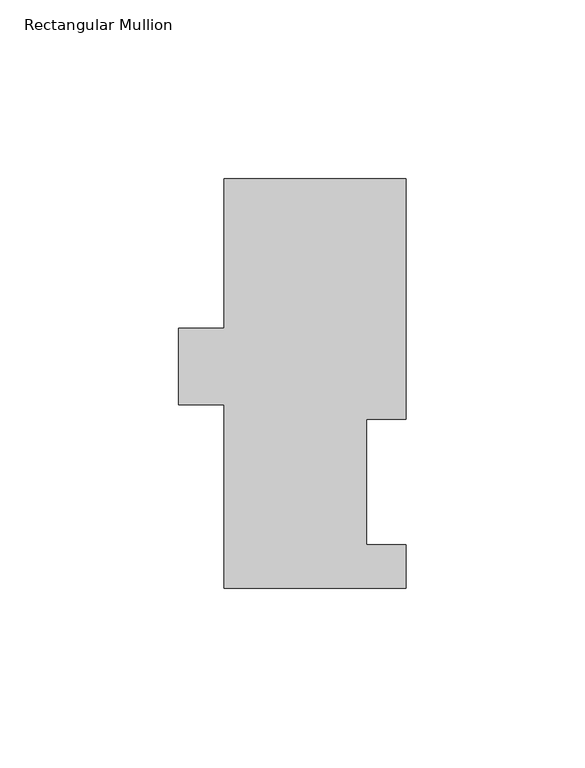
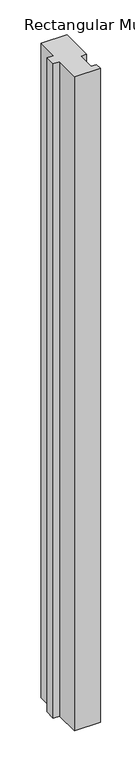
"""IFC4 building model written with IfcOpenShell, lengths in millimetres: member geometry, Rectangular Mullion."""

from ifc_helpers import new_model, si_unit, frame, origin, place, context, project, spatial, polyline, outline, extrude, source, transform, mapped, element, save


def rectangular_mullion_b5cba252(model_context):
    return source(origin(), model_context, "Body", "SweptSolid", [
        extrude(outline(polyline([(-25.4, 114.252375), (25.4, 114.252375), (25.4, 47.069375), (14.2875, 47.069375), (14.2875, 12.144375), (25.4, 12.144375), (25.4, -0.047625), (-25.4, -0.047625), (-25.4, 51.158775), (-38.1, 51.158775), (-38.1, 72.545575), (-25.4, 72.545575), (-25.4, 114.252375)])), frame((0.0, 0.0, -1365.25), z_axis=(0.0, 0.0, 1.0), x_axis=(1.0, 0.0, 0.0)), (0.0, 0.0, 1.0), 1365.25),
    ])


if __name__ == "__main__":
    model = new_model("IFC4")
    model_context = context("Model", 3, world=origin())
    ifc_project = project(units=[si_unit("LENGTHUNIT", "METRE", prefix="MILLI")], contexts=[model_context])
    site = spatial("IfcSite", under=ifc_project)
    building = spatial("IfcBuilding", under=site)
    placement = place(None, origin())
    rectangular_mullion_shape = rectangular_mullion_b5cba252(model_context)
    element("IfcMember", 1, ObjectType="Rectangular Mullion", at=placement, inside=building, context=model_context, shape_type="MappedRepresentation", body=[
        mapped(rectangular_mullion_shape, transform((0.0, 0.0, 0.0), x_axis=(1.0, 0.0, 0.0), y_axis=(0.0, 1.0, 0.0), z_axis=(0.0, 0.0, 1.0))),
    ])
    save(model, "model.ifc")
